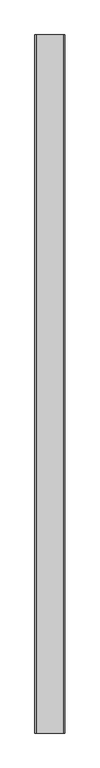
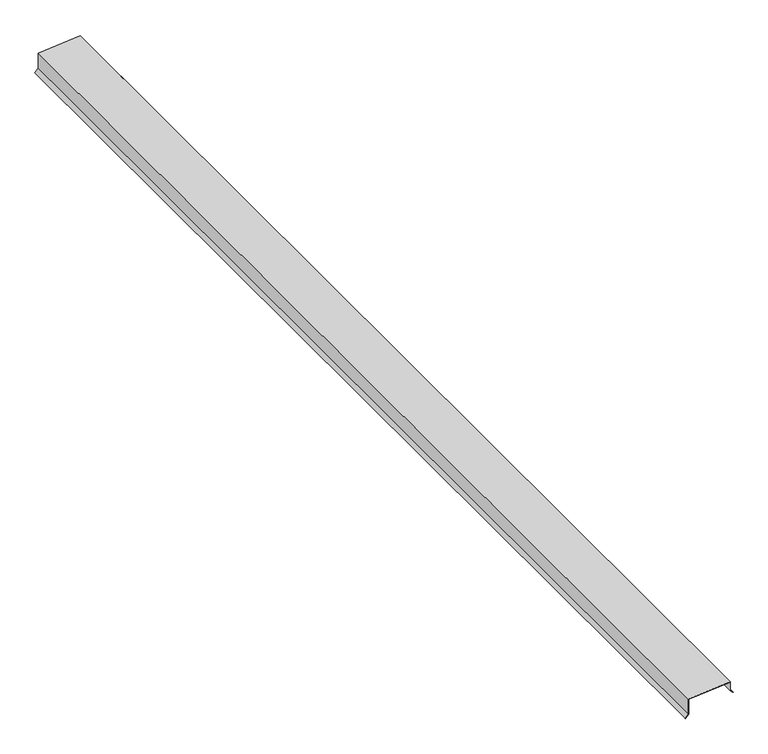
"""IFC4 building model written with IfcOpenShell, lengths in millimetres: proxy geometry."""

from ifc_helpers import new_model, si_unit, frame, origin, place, context, project, spatial, polyline, outline, extrude, source, transform, mapped, element, save


def generic_models_5bf9b963(model_context):
    return source(origin(), model_context, "Body", "SweptSolid", [
        extrude(outline(polyline([(5719.6047109, 37587.8548373), (5626.6722822, 37587.8548373), (5607.5971094, 37568.7796646), (5606.4745774, 37569.9021966), (5626.0147181, 37589.4423373), (5718.1500351, 37589.4423373), (5739.2568255, 37830.6940548), (5686.3631071, 37830.6940548), (5670.7917164, 37846.2654455), (5671.9142484, 37847.3879775), (5687.0206711, 37832.2815548), (5740.9892777, 37832.2815548), (5719.6047109, 37587.8548373)])), frame((0.0, -25196.3529893, 0.0), z_axis=(0.0, 1.0, 0.0), x_axis=(0.0, 0.0, 1.0)), (0.0, 0.0, 1.0), 6533.92),
    ])


if __name__ == "__main__":
    model = new_model("IFC4")
    model_context = context("Model", 3, world=origin())
    ifc_project = project(units=[si_unit("LENGTHUNIT", "METRE", prefix="MILLI")], contexts=[model_context])
    site = spatial("IfcSite", under=ifc_project)
    building = spatial("IfcBuilding", under=site)
    placement = place(None, origin())
    generic_models_shape = generic_models_5bf9b963(model_context)
    element("IfcBuildingElementProxy", 1, Name="Generic Models", at=placement, inside=building, context=model_context, shape_type="MappedRepresentation", body=[
        mapped(generic_models_shape, transform((0.0, 0.0, 0.0), x_axis=(1.0, 0.0, 0.0), y_axis=(0.0, 1.0, 0.0), z_axis=(0.0, 0.0, 1.0))),
    ])
    save(model, "model.ifc")
